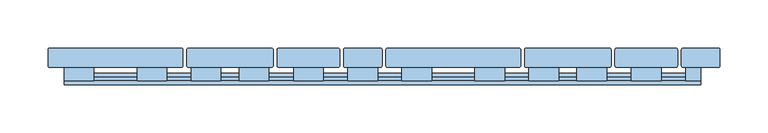
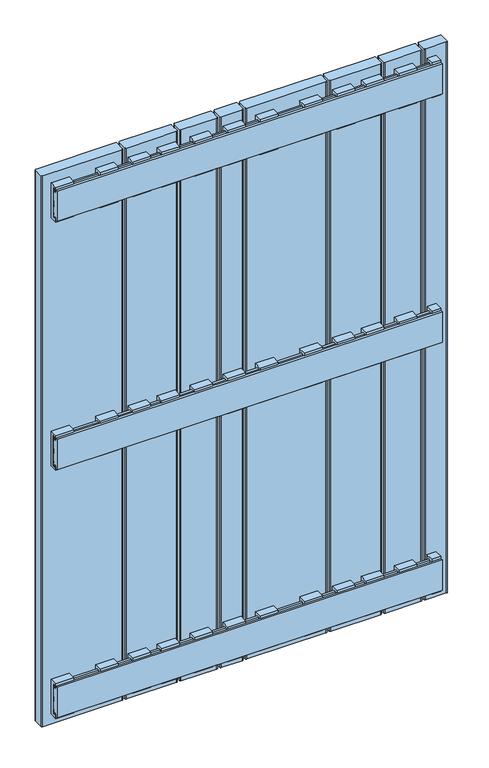
"""IFC4 building model written with IfcOpenShell, lengths in millimetres: window geometry."""

import ifcopenshell
import ifcopenshell.guid

model = None  # the IFC model being written
_history = None  # IfcOwnerHistory: only IFC2X3 demands one
_inside = {}  # id of a spatial element -> (the spatial element, [elements in it])
_under = {}  # id of a project, library or spatial element -> (it, [spatial elements below it])
_declared = {}  # id of a project -> (the project, [libraries it declares])
_typed = {}  # id of a type object -> (the type object, [elements of that type])
_made_of = {}  # id of a material, layer set ... -> (it, [elements and type objects made of it])


def new_model(schema):
    """Start an empty IFC model of exactly this schema.

    Asked for "IFC4X3", IfcOpenShell would pick the latest addendum, in which some entities
    have other attributes; the version numbers below select the first issue.
    IFC2X3 requires an IfcOwnerHistory on every rooted entity: one is made here for all.
    """
    global model, _history
    if schema == "IFC4X3":
        model = ifcopenshell.file(schema_version=(4, 3, 0, 0))
    else:
        model = ifcopenshell.file(schema=schema)
    _inside.clear()
    _under.clear()
    _declared.clear()
    _typed.clear()
    _made_of.clear()
    _history = None
    if model.schema == "IFC2X3":
        org = make("IfcOrganization", Name="unknown")
        user = make(
            "IfcPersonAndOrganization",
            ThePerson=make("IfcPerson", FamilyName="unknown"),
            TheOrganization=org,
        )
        app = make(
            "IfcApplication",
            ApplicationDeveloper=org,
            Version="unknown",
            ApplicationFullName="unknown",
            ApplicationIdentifier="unknown",
        )
        _history = make(
            "IfcOwnerHistory",
            OwningUser=user,
            OwningApplication=app,
            ChangeAction="ADDED",
            CreationDate=0,
        )
    return model


def make(cls, **values):
    """One entity of the class cls with the attributes given. An attribute that is None is left unset."""
    return model.create_entity(
        cls, **{name: value for name, value in values.items() if value is not None}
    )


def rooted(cls, **values):
    """An entity with a GlobalId (a new one), such as an element, a storey or a relation."""
    return make(cls, GlobalId=ifcopenshell.guid.new(), OwnerHistory=_history, **values)


def si_unit(unit_type, name, prefix=None):
    """IfcSIUnit, for example si_unit("LENGTHUNIT", "METRE", prefix="MILLI")."""
    return make("IfcSIUnit", UnitType=unit_type, Prefix=prefix, Name=name)


def assignment(units):
    """IfcUnitAssignment: the units of a project."""
    return None if units is None else make("IfcUnitAssignment", Units=units)


def point(xyz):
    """IfcCartesianPoint."""
    return None if xyz is None else make("IfcCartesianPoint", Coordinates=xyz)


def direction(xyz):
    """IfcDirection."""
    return None if xyz is None else make("IfcDirection", DirectionRatios=xyz)


def frame(location, z_axis=None, x_axis=None):
    """IfcAxis2Placement3D, a coordinate frame: its origin and axes. An axis left out is left unset."""
    return make(
        "IfcAxis2Placement3D",
        Location=point(location),
        Axis=direction(z_axis),
        RefDirection=direction(x_axis),
    )


def frame_2d(location, x_axis=None):
    """IfcAxis2Placement2D, a coordinate frame in the plane: its origin and x axis."""
    return make(
        "IfcAxis2Placement2D", Location=point(location), RefDirection=direction(x_axis)
    )


def origin():
    """The frame at (0, 0, 0) with its axes left unset."""
    return frame((0.0, 0.0, 0.0))


def place(relative_to, where):
    """IfcLocalPlacement: puts the frame where relative to a parent placement (None: the world)."""
    return make(
        "IfcLocalPlacement", PlacementRelTo=relative_to, RelativePlacement=where
    )


def context(
    kind, dimensions, precision=None, world=None, true_north=None, identifier=None
):
    """IfcGeometricRepresentationContext, for example the 3D "Model" context."""
    return make(
        "IfcGeometricRepresentationContext",
        ContextIdentifier=identifier,
        ContextType=kind,
        CoordinateSpaceDimension=dimensions,
        Precision=precision,
        WorldCoordinateSystem=world,
        TrueNorth=true_north,
    )


def project(units=None, contexts=None):
    """IfcProject with its units and contexts."""
    return rooted(
        "IfcProject",
        Name="project",
        RepresentationContexts=contexts,
        UnitsInContext=assignment(units),
    )


def spatial(cls, under=None, at=None, **own):
    """A site, building, storey or space (cls), placed at a placement, below another one or the project."""
    s = rooted(cls, ObjectPlacement=at, **own)
    if under is not None:
        _under.setdefault(under.id(), (under, []))[1].append(s)
    return s


def polyline(points):
    """IfcPolyline through the points."""
    return make("IfcPolyline", Points=[point(p) for p in points])


def circle_curve(where, radius):
    """IfcCircle in the frame where."""
    return make("IfcCircle", Position=where, Radius=radius)


def trimmed(basis, trim1, trim2, sense, master):
    """IfcTrimmedCurve: the piece of a basis curve between two trims."""
    return make(
        "IfcTrimmedCurve",
        BasisCurve=basis,
        Trim1=trim1,
        Trim2=trim2,
        SenseAgreement=sense,
        MasterRepresentation=master,
    )


def segment(curve, same_sense, transition):
    """IfcCompositeCurveSegment."""
    return make(
        "IfcCompositeCurveSegment",
        Transition=transition,
        SameSense=same_sense,
        ParentCurve=curve,
    )


def composite_curve(segments, self_intersect=None):
    """IfcCompositeCurve: segments joined end to end."""
    return make("IfcCompositeCurve", Segments=segments, SelfIntersect=self_intersect)


def outline(outer, holes=None, kind="AREA"):
    """IfcArbitraryClosedProfileDef: a profile drawn as a closed curve; with holes, ...WithVoids."""
    if holes is None:
        return make("IfcArbitraryClosedProfileDef", ProfileType=kind, OuterCurve=outer)
    return make(
        "IfcArbitraryProfileDefWithVoids",
        ProfileType=kind,
        OuterCurve=outer,
        InnerCurves=holes,
    )


def extrude(swept, where, along, depth):
    """IfcExtrudedAreaSolid: the profile swept, set in the frame where, extruded along a direction by depth."""
    return make(
        "IfcExtrudedAreaSolid",
        SweptArea=swept,
        Position=where,
        ExtrudedDirection=direction(along),
        Depth=depth,
    )


def shape(context_of_items, identifier, shape_type, items):
    """IfcShapeRepresentation: the items that make up one representation, for example the "Body"."""
    return make(
        "IfcShapeRepresentation",
        ContextOfItems=context_of_items,
        RepresentationIdentifier=identifier,
        RepresentationType=shape_type,
        Items=items,
    )


def source(mapping_origin, context_of_items, identifier, shape_type, items):
    """IfcRepresentationMap: a shape defined once, which mapped items show again and again."""
    return make(
        "IfcRepresentationMap",
        MappingOrigin=mapping_origin,
        MappedRepresentation=shape(context_of_items, identifier, shape_type, items),
    )


def transform(
    local_origin,
    x_axis=None,
    y_axis=None,
    z_axis=None,
    scale=None,
    scale2=None,
    scale3=None,
    uniform=True,
):
    """IfcCartesianTransformationOperator3D, or its non-uniform kind. x_axis, y_axis, z_axis: its Axis1, 2, 3."""
    if uniform:
        return make(
            "IfcCartesianTransformationOperator3D",
            Axis1=direction(x_axis),
            Axis2=direction(y_axis),
            LocalOrigin=point(local_origin),
            Scale=scale,
            Axis3=direction(z_axis),
        )
    return make(
        "IfcCartesianTransformationOperator3DnonUniform",
        Axis1=direction(x_axis),
        Axis2=direction(y_axis),
        LocalOrigin=point(local_origin),
        Scale=scale,
        Axis3=direction(z_axis),
        Scale2=scale2,
        Scale3=scale3,
    )


def mapped(mapping_source, mapping_target):
    """IfcMappedItem: shows the shape of a source again, moved by a transform."""
    return make(
        "IfcMappedItem", MappingSource=mapping_source, MappingTarget=mapping_target
    )


def made_of(thing, what):
    """Note that an element or type object is made of a material, layer set ...; save() writes the relation."""
    if what is not None:
        _made_of.setdefault(what.id(), (what, []))[1].append(thing)
    return thing


def element(
    cls,
    number,
    at=None,
    inside=None,
    cuts=None,
    type_object=None,
    material=None,
    context=None,
    identifier="Body",
    shape_type=None,
    held_by="IfcProductDefinitionShape",
    body=None,
    shapes=None,
    **own,
):
    """One element of the class cls, such as IfcWall. Its Tag is "e" and its number.

    at: its placement. inside: the storey or other place that contains it. cuts: it is an
    opening in that element (IfcRelVoidsElement). A single representation is given by context,
    identifier, shape_type and body (its items); several are given by shapes. held_by: the class
    of the entity that holds the representations. save() writes the other relations.
    """
    e = rooted(cls, Tag="e%d" % number, ObjectPlacement=at, **own)
    if body is not None:
        shapes = [shape(context, identifier, shape_type, body)]
    if shapes is not None:
        e.Representation = make(held_by, Representations=shapes)
    if inside is not None:
        _inside.setdefault(inside.id(), (inside, []))[1].append(e)
    if cuts is not None:
        rooted(
            "IfcRelVoidsElement", RelatingBuildingElement=cuts, RelatedOpeningElement=e
        )
    if type_object is not None:
        _typed.setdefault(type_object.id(), (type_object, []))[1].append(e)
    return made_of(e, material)


def aggregate(whole, parts):
    """IfcRelAggregates: a whole, such as a stair, and the parts it consists of."""
    return rooted("IfcRelAggregates", RelatingObject=whole, RelatedObjects=parts)


def save(model, path):
    """Write the relations noted so far, then the file.

    IfcRelAggregates (storeys below a building ...), IfcRelContainedInSpatialStructure (elements
    in a storey), IfcRelDefinesByType, IfcRelAssociatesMaterial and IfcRelDeclares: one each for
    every whole, place, type object, material and project.
    """
    for whole, parts in _under.values():
        aggregate(whole, parts)
    for where, things in _inside.values():
        rooted(
            "IfcRelContainedInSpatialStructure",
            RelatedElements=things,
            RelatingStructure=where,
        )
    for kind, things in _typed.values():
        rooted("IfcRelDefinesByType", RelatedObjects=things, RelatingType=kind)
    for what, things in _made_of.values():
        rooted("IfcRelAssociatesMaterial", RelatedObjects=things, RelatingMaterial=what)
    for by, libraries in _declared.values():
        rooted("IfcRelDeclares", RelatingContext=by, RelatedDefinitions=libraries)
    model.write(path)


def window_5a55b5cf(model_context):
    return source(origin(), model_context, "Body", "SweptSolid", [
        extrude(outline(polyline([(54.2, 627.5936804), (50.0, 627.5936804), (50.0, 623.5936804), (46.2, 623.5936804), (46.2, 631.5), (60.1, 631.5), (60.1, 568.5), (46.2, 568.5), (46.2, 576.4063196), (50.0, 576.4063196), (50.0, 572.4063196), (54.2, 572.4063196), (54.2, 627.5936804)])), frame((279.0, 0.0, 0.0), z_axis=(1.0, 0.0, 0.0), x_axis=(0.0, 1.0, 0.0)), (0.0, 0.0, 1.0), 31.0),
        extrude(outline(polyline([(54.1, 1022.9063196), (54.1, 1078.0936804), (49.9, 1078.0936804), (49.9, 1074.0936804), (46.1, 1074.0936804), (46.1, 1082.0), (60.0, 1082.0), (60.0, 1019.0), (46.1, 1019.0), (46.1, 1026.9063196), (49.9, 1026.9063196), (49.9, 1022.9063196), (54.1, 1022.9063196)])), frame((279.0, 0.0, 0.0), z_axis=(1.0, 0.0, 0.0), x_axis=(0.0, 1.0, 0.0)), (0.0, 0.0, 1.0), 31.0),
        extrude(outline(polyline([(54.1, 177.0936804), (49.9, 177.0936804), (49.9, 173.0936804), (46.1, 173.0936804), (46.1, 181.0), (60.0, 181.0), (60.0, 118.0), (46.1, 118.0), (46.1, 125.9063196), (49.9, 125.9063196), (49.9, 121.9063196), (54.1, 121.9063196), (54.1, 177.0936804)])), frame((279.0, 0.0, 0.0), z_axis=(1.0, 0.0, 0.0), x_axis=(0.0, 1.0, 0.0)), (0.0, 0.0, 1.0), 31.0),
        extrude(outline(polyline([(54.2, 572.4063196), (54.2, 627.5936804), (50.0, 627.5936804), (50.0, 623.5936804), (46.2, 623.5936804), (46.2, 631.5), (60.1, 631.5), (60.1, 568.5), (46.2, 568.5), (46.2, 576.4063196), (50.0, 576.4063196), (50.0, 572.4063196), (54.2, 572.4063196)])), frame((-72.0, 0.0, 0.0), z_axis=(1.0, 0.0, 0.0), x_axis=(0.0, 1.0, 0.0)), (0.0, 0.0, 1.0), 31.0),
        extrude(outline(polyline([(54.1, 1022.9063196), (54.1, 1078.0936804), (49.9, 1078.0936804), (49.9, 1074.0936804), (46.1, 1074.0936804), (46.1, 1082.0), (60.0, 1082.0), (60.0, 1019.0), (46.1, 1019.0), (46.1, 1026.9063196), (49.9, 1026.9063196), (49.9, 1022.9063196), (54.1, 1022.9063196)])), frame((-72.0, 0.0, 0.0), z_axis=(1.0, 0.0, 0.0), x_axis=(0.0, 1.0, 0.0)), (0.0, 0.0, 1.0), 31.0),
        extrude(outline(polyline([(54.1, 177.0936804), (49.9, 177.0936804), (49.9, 173.0936804), (46.1, 173.0936804), (46.1, 181.0), (60.0, 181.0), (60.0, 118.0), (46.1, 118.0), (46.1, 125.9063196), (49.9, 125.9063196), (49.9, 121.9063196), (54.1, 121.9063196), (54.1, 177.0936804)])), frame((-72.0, 0.0, 0.0), z_axis=(1.0, 0.0, 0.0), x_axis=(0.0, 1.0, 0.0)), (0.0, 0.0, 1.0), 31.0),
        extrude(outline(polyline([(54.2, 627.5936804), (50.0, 627.5936804), (50.0, 623.5936804), (46.2, 623.5936804), (46.2, 631.5), (60.1, 631.5), (60.1, 568.5), (46.2, 568.5), (46.2, 576.4063196), (50.0, 576.4063196), (50.0, 572.4063196), (54.2, 572.4063196), (54.2, 627.5936804)])), frame((222.5, 0.0, 0.0), z_axis=(1.0, 0.0, 0.0), x_axis=(0.0, 1.0, 0.0)), (0.0, 0.0, 1.0), 31.0),
        extrude(outline(polyline([(54.1, 1022.9063196), (54.1, 1078.0936804), (49.9, 1078.0936804), (49.9, 1074.0936804), (46.1, 1074.0936804), (46.1, 1082.0), (60.0, 1082.0), (60.0, 1019.0), (46.1, 1019.0), (46.1, 1026.9063196), (49.9, 1026.9063196), (49.9, 1022.9063196), (54.1, 1022.9063196)])), frame((222.5, 0.0, 0.0), z_axis=(1.0, 0.0, 0.0), x_axis=(0.0, 1.0, 0.0)), (0.0, 0.0, 1.0), 31.0),
        extrude(outline(polyline([(54.1, 177.0936804), (49.9, 177.0936804), (49.9, 173.0936804), (46.1, 173.0936804), (46.1, 181.0), (60.0, 181.0), (60.0, 118.0), (46.1, 118.0), (46.1, 125.9063196), (49.9, 125.9063196), (49.9, 121.9063196), (54.1, 121.9063196), (54.1, 177.0936804)])), frame((222.5, 0.0, 0.0), z_axis=(1.0, 0.0, 0.0), x_axis=(0.0, 1.0, 0.0)), (0.0, 0.0, 1.0), 31.0),
        extrude(outline(polyline([(54.2, 627.5936804), (50.0, 627.5936804), (50.0, 623.5936804), (46.2, 623.5936804), (46.2, 631.5), (60.1, 631.5), (60.1, 568.5), (46.2, 568.5), (46.2, 576.4063196), (50.0, 576.4063196), (50.0, 572.4063196), (54.2, 572.4063196), (54.2, 627.5936804)])), frame((172.5, 0.0, 0.0), z_axis=(1.0, 0.0, 0.0), x_axis=(0.0, 1.0, 0.0)), (0.0, 0.0, 1.0), 31.0),
        extrude(outline(polyline([(54.1, 1022.9063196), (54.1, 1078.0936804), (49.9, 1078.0936804), (49.9, 1074.0936804), (46.1, 1074.0936804), (46.1, 1082.0), (60.0, 1082.0), (60.0, 1019.0), (46.1, 1019.0), (46.1, 1026.9063196), (49.9, 1026.9063196), (49.9, 1022.9063196), (54.1, 1022.9063196)])), frame((172.5, 0.0, 0.0), z_axis=(1.0, 0.0, 0.0), x_axis=(0.0, 1.0, 0.0)), (0.0, 0.0, 1.0), 31.0),
        extrude(outline(polyline([(54.1, 177.0936804), (49.9, 177.0936804), (49.9, 173.0936804), (46.1, 173.0936804), (46.1, 181.0), (60.0, 181.0), (60.0, 118.0), (46.1, 118.0), (46.1, 125.9063196), (49.9, 125.9063196), (49.9, 121.9063196), (54.1, 121.9063196), (54.1, 177.0936804)])), frame((172.5, 0.0, 0.0), z_axis=(1.0, 0.0, 0.0), x_axis=(0.0, 1.0, 0.0)), (0.0, 0.0, 1.0), 31.0),
        extrude(outline(polyline([(54.2, 627.5936804), (50.0, 627.5936804), (50.0, 623.5936804), (46.2, 623.5936804), (46.2, 631.5), (60.1, 631.5), (60.1, 568.5), (46.2, 568.5), (46.2, 576.4063196), (50.0, 576.4063196), (50.0, 572.4063196), (54.2, 572.4063196), (54.2, 627.5936804)])), frame((116.5, 0.0, 0.0), z_axis=(1.0, 0.0, 0.0), x_axis=(0.0, 1.0, 0.0)), (0.0, 0.0, 1.0), 31.0),
        extrude(outline(polyline([(54.1, 1022.9063196), (54.1, 1078.0936804), (49.9, 1078.0936804), (49.9, 1074.0936804), (46.1, 1074.0936804), (46.1, 1082.0), (60.0, 1082.0), (60.0, 1019.0), (46.1, 1019.0), (46.1, 1026.9063196), (49.9, 1026.9063196), (49.9, 1022.9063196), (54.1, 1022.9063196)])), frame((116.5, 0.0, 0.0), z_axis=(1.0, 0.0, 0.0), x_axis=(0.0, 1.0, 0.0)), (0.0, 0.0, 1.0), 31.0),
        extrude(outline(polyline([(54.1, 177.0936804), (49.9, 177.0936804), (49.9, 173.0936804), (46.1, 173.0936804), (46.1, 181.0), (60.0, 181.0), (60.0, 118.0), (46.1, 118.0), (46.1, 125.9063196), (49.9, 125.9063196), (49.9, 121.9063196), (54.1, 121.9063196), (54.1, 177.0936804)])), frame((116.5, 0.0, 0.0), z_axis=(1.0, 0.0, 0.0), x_axis=(0.0, 1.0, 0.0)), (0.0, 0.0, 1.0), 31.0),
        extrude(outline(polyline([(54.2, 627.5936804), (50.0, 627.5936804), (50.0, 623.5936804), (46.2, 623.5936804), (46.2, 631.5), (60.1, 631.5), (60.1, 568.5), (46.2, 568.5), (46.2, 576.4063196), (50.0, 576.4063196), (50.0, 572.4063196), (54.2, 572.4063196), (54.2, 627.5936804)])), frame((-15.5, 0.0, 0.0), z_axis=(1.0, 0.0, 0.0), x_axis=(0.0, 1.0, 0.0)), (0.0, 0.0, 1.0), 31.0),
        extrude(outline(polyline([(54.1, 1022.9063196), (54.1, 1078.0936804), (49.9, 1078.0936804), (49.9, 1074.0936804), (46.1, 1074.0936804), (46.1, 1082.0), (60.0, 1082.0), (60.0, 1019.0), (46.1, 1019.0), (46.1, 1026.9063196), (49.9, 1026.9063196), (49.9, 1022.9063196), (54.1, 1022.9063196)])), frame((-15.5, 0.0, 0.0), z_axis=(1.0, 0.0, 0.0), x_axis=(0.0, 1.0, 0.0)), (0.0, 0.0, 1.0), 31.0),
        extrude(outline(polyline([(54.1, 177.0936804), (49.9, 177.0936804), (49.9, 173.0936804), (46.1, 173.0936804), (46.1, 181.0), (60.0, 181.0), (60.0, 118.0), (46.1, 118.0), (46.1, 125.9063196), (49.9, 125.9063196), (49.9, 121.9063196), (54.1, 121.9063196), (54.1, 177.0936804)])), frame((-15.5, 0.0, 0.0), z_axis=(1.0, 0.0, 0.0), x_axis=(0.0, 1.0, 0.0)), (0.0, 0.0, 1.0), 31.0),
        extrude(outline(polyline([(54.2, 627.5936804), (50.0, 627.5936804), (50.0, 623.5936804), (46.2, 623.5936804), (46.2, 631.5), (60.1, 631.5), (60.1, 568.5), (46.2, 568.5), (46.2, 576.4063196), (50.0, 576.4063196), (50.0, 572.4063196), (54.2, 572.4063196), (54.2, 627.5936804)])), frame((40.5, 0.0, 0.0), z_axis=(1.0, 0.0, 0.0), x_axis=(0.0, 1.0, 0.0)), (0.0, 0.0, 1.0), 31.0),
        extrude(outline(polyline([(54.1, 1022.9063196), (54.1, 1078.0936804), (49.9, 1078.0936804), (49.9, 1074.0936804), (46.1, 1074.0936804), (46.1, 1082.0), (60.0, 1082.0), (60.0, 1019.0), (46.1, 1019.0), (46.1, 1026.9063196), (49.9, 1026.9063196), (49.9, 1022.9063196), (54.1, 1022.9063196)])), frame((40.5, 0.0, 0.0), z_axis=(1.0, 0.0, 0.0), x_axis=(0.0, 1.0, 0.0)), (0.0, 0.0, 1.0), 31.0),
        extrude(outline(polyline([(54.1, 177.0936804), (49.9, 177.0936804), (49.9, 173.0936804), (46.1, 173.0936804), (46.1, 181.0), (60.0, 181.0), (60.0, 118.0), (46.1, 118.0), (46.1, 125.9063196), (49.9, 125.9063196), (49.9, 121.9063196), (54.1, 121.9063196), (54.1, 177.0936804)])), frame((40.5, 0.0, 0.0), z_axis=(1.0, 0.0, 0.0), x_axis=(0.0, 1.0, 0.0)), (0.0, 0.0, 1.0), 31.0),
        extrude(outline(polyline([(54.2, 572.4063196), (54.2, 627.5936804), (50.0, 627.5936804), (50.0, 623.5936804), (46.2, 623.5936804), (46.2, 631.5), (60.1, 631.5), (60.1, 568.5), (46.2, 568.5), (46.2, 576.4063196), (50.0, 576.4063196), (50.0, 572.4063196), (54.2, 572.4063196)])), frame((-128.5, 0.0, 0.0), z_axis=(1.0, 0.0, 0.0), x_axis=(0.0, 1.0, 0.0)), (0.0, 0.0, 1.0), 31.0),
        extrude(outline(polyline([(54.1, 1022.9063196), (54.1, 1078.0936804), (49.9, 1078.0936804), (49.9, 1074.0936804), (46.1, 1074.0936804), (46.1, 1082.0), (60.0, 1082.0), (60.0, 1019.0), (46.1, 1019.0), (46.1, 1026.9063196), (49.9, 1026.9063196), (49.9, 1022.9063196), (54.1, 1022.9063196)])), frame((-128.5, 0.0, 0.0), z_axis=(1.0, 0.0, 0.0), x_axis=(0.0, 1.0, 0.0)), (0.0, 0.0, 1.0), 31.0),
        extrude(outline(polyline([(54.1, 177.0936804), (49.9, 177.0936804), (49.9, 173.0936804), (46.1, 173.0936804), (46.1, 181.0), (60.0, 181.0), (60.0, 118.0), (46.1, 118.0), (46.1, 125.9063196), (49.9, 125.9063196), (49.9, 121.9063196), (54.1, 121.9063196), (54.1, 177.0936804)])), frame((-128.5, 0.0, 0.0), z_axis=(1.0, 0.0, 0.0), x_axis=(0.0, 1.0, 0.0)), (0.0, 0.0, 1.0), 31.0),
        extrude(outline(polyline([(54.2, 572.4063196), (54.2, 627.5936804), (50.0, 627.5936804), (50.0, 623.5936804), (46.2, 623.5936804), (46.2, 631.5), (60.1, 631.5), (60.1, 568.5), (46.2, 568.5), (46.2, 576.4063196), (50.0, 576.4063196), (50.0, 572.4063196), (54.2, 572.4063196)])), frame((-178.5, 0.0, 0.0), z_axis=(1.0, 0.0, 0.0), x_axis=(0.0, 1.0, 0.0)), (0.0, 0.0, 1.0), 31.0),
        extrude(outline(polyline([(54.1, 1022.9063196), (54.1, 1078.0936804), (49.9, 1078.0936804), (49.9, 1074.0936804), (46.1, 1074.0936804), (46.1, 1082.0), (60.0, 1082.0), (60.0, 1019.0), (46.1, 1019.0), (46.1, 1026.9063196), (49.9, 1026.9063196), (49.9, 1022.9063196), (54.1, 1022.9063196)])), frame((-178.5, 0.0, 0.0), z_axis=(1.0, 0.0, 0.0), x_axis=(0.0, 1.0, 0.0)), (0.0, 0.0, 1.0), 31.0),
        extrude(outline(polyline([(54.1, 177.0936804), (49.9, 177.0936804), (49.9, 173.0936804), (46.1, 173.0936804), (46.1, 181.0), (60.0, 181.0), (60.0, 118.0), (46.1, 118.0), (46.1, 125.9063196), (49.9, 125.9063196), (49.9, 121.9063196), (54.1, 121.9063196), (54.1, 177.0936804)])), frame((-178.5, 0.0, 0.0), z_axis=(1.0, 0.0, 0.0), x_axis=(0.0, 1.0, 0.0)), (0.0, 0.0, 1.0), 31.0),
        extrude(outline(polyline([(54.2, 572.4063196), (54.2, 627.5936804), (50.0, 627.5936804), (50.0, 623.5936804), (46.2, 623.5936804), (46.2, 631.5), (60.1, 631.5), (60.1, 568.5), (46.2, 568.5), (46.2, 576.4063196), (50.0, 576.4063196), (50.0, 572.4063196), (54.2, 572.4063196)])), frame((-234.5, 0.0, 0.0), z_axis=(1.0, 0.0, 0.0), x_axis=(0.0, 1.0, 0.0)), (0.0, 0.0, 1.0), 31.0),
        extrude(outline(polyline([(54.1, 1022.9063196), (54.1, 1078.0936804), (49.9, 1078.0936804), (49.9, 1074.0936804), (46.1, 1074.0936804), (46.1, 1082.0), (60.0, 1082.0), (60.0, 1019.0), (46.1, 1019.0), (46.1, 1026.9063196), (49.9, 1026.9063196), (49.9, 1022.9063196), (54.1, 1022.9063196)])), frame((-234.5, 0.0, 0.0), z_axis=(1.0, 0.0, 0.0), x_axis=(0.0, 1.0, 0.0)), (0.0, 0.0, 1.0), 31.0),
        extrude(outline(polyline([(54.1, 177.0936804), (49.9, 177.0936804), (49.9, 173.0936804), (46.1, 173.0936804), (46.1, 181.0), (60.0, 181.0), (60.0, 118.0), (46.1, 118.0), (46.1, 125.9063196), (49.9, 125.9063196), (49.9, 121.9063196), (54.1, 121.9063196), (54.1, 177.0936804)])), frame((-234.5, 0.0, 0.0), z_axis=(1.0, 0.0, 0.0), x_axis=(0.0, 1.0, 0.0)), (0.0, 0.0, 1.0), 31.0),
        extrude(outline(polyline([(54.2, 572.4063196), (54.2, 627.5936804), (50.0, 627.5936804), (50.0, 623.5936804), (46.2, 623.5936804), (46.2, 631.5), (60.1, 631.5), (60.1, 568.5), (46.2, 568.5), (46.2, 576.4063196), (50.0, 576.4063196), (50.0, 572.4063196), (54.2, 572.4063196)])), frame((-310.5, 0.0, 0.0), z_axis=(1.0, 0.0, 0.0), x_axis=(0.0, 1.0, 0.0)), (0.0, 0.0, 1.0), 31.0),
        extrude(outline(polyline([(54.1, 1022.9063196), (54.1, 1078.0936804), (49.9, 1078.0936804), (49.9, 1074.0936804), (46.1, 1074.0936804), (46.1, 1082.0), (60.0, 1082.0), (60.0, 1019.0), (46.1, 1019.0), (46.1, 1026.9063196), (49.9, 1026.9063196), (49.9, 1022.9063196), (54.1, 1022.9063196)])), frame((-310.5, 0.0, 0.0), z_axis=(1.0, 0.0, 0.0), x_axis=(0.0, 1.0, 0.0)), (0.0, 0.0, 1.0), 31.0),
        extrude(outline(polyline([(54.1, 177.0936804), (49.9, 177.0936804), (49.9, 173.0936804), (46.1, 173.0936804), (46.1, 181.0), (60.0, 181.0), (60.0, 118.0), (46.1, 118.0), (46.1, 125.9063196), (49.9, 125.9063196), (49.9, 121.9063196), (54.1, 121.9063196), (54.1, 177.0936804)])), frame((-310.5, 0.0, 0.0), z_axis=(1.0, 0.0, 0.0), x_axis=(0.0, 1.0, 0.0)), (0.0, 0.0, 1.0), 31.0),
        extrude(outline(polyline([(54.2, 572.4063196), (54.2, 627.5936804), (50.0, 627.5936804), (50.0, 623.5936804), (46.2, 623.5936804), (46.2, 631.5), (60.1, 631.5), (60.1, 568.5), (46.2, 568.5), (46.2, 576.4063196), (50.0, 576.4063196), (50.0, 572.4063196), (54.2, 572.4063196)])), frame((335.5, 0.0, 0.0), z_axis=(1.0, 0.0, 0.0), x_axis=(0.0, 1.0, 0.0)), (0.0, 0.0, 1.0), 15.5),
        extrude(outline(polyline([(54.1, 1022.9063196), (54.1, 1078.0936804), (49.9, 1078.0936804), (49.9, 1074.0936804), (46.1, 1074.0936804), (46.1, 1082.0), (60.0, 1082.0), (60.0, 1019.0), (46.1, 1019.0), (46.1, 1026.9063196), (49.9, 1026.9063196), (49.9, 1022.9063196), (54.1, 1022.9063196)])), frame((335.5, 0.0, 0.0), z_axis=(1.0, 0.0, 0.0), x_axis=(0.0, 1.0, 0.0)), (0.0, 0.0, 1.0), 15.5),
        extrude(outline(polyline([(54.1, 177.0936804), (49.9, 177.0936804), (49.9, 173.0936804), (46.1, 173.0936804), (46.1, 181.0), (60.0, 181.0), (60.0, 118.0), (46.1, 118.0), (46.1, 125.9063196), (49.9, 125.9063196), (49.9, 121.9063196), (54.1, 121.9063196), (54.1, 177.0936804)])), frame((335.5, 0.0, 0.0), z_axis=(1.0, 0.0, 0.0), x_axis=(0.0, 1.0, 0.0)), (0.0, 0.0, 1.0), 15.5),
        extrude(outline(polyline([(42.1, 627.5063196), (46.1, 627.5063196), (46.1, 623.5063196), (50.1, 623.5063196), (50.1, 627.5063196), (54.1, 627.5063196), (54.1, 622.5063196), (51.1, 622.5063196), (51.1, 617.5063196), (54.1, 617.5063196), (54.1, 605.0063196), (51.1, 605.0063196), (51.1, 595.0063196), (54.1, 595.0063196), (54.1, 582.5063196), (51.1, 582.5063196), (51.1, 577.5063196), (54.1, 577.5063196), (54.1, 572.5063196), (50.1, 572.5063196), (50.1, 576.5063196), (46.1, 576.5063196), (46.1, 572.5063196), (42.1, 572.5063196), (42.1, 627.5063196)])), frame((-310.5, 0.0, 0.0), z_axis=(1.0, 0.0, 0.0), x_axis=(0.0, 1.0, 0.0)), (0.0, 0.0, 1.0), 661.5),
        extrude(outline(polyline([(42.0, 1078.0), (46.0, 1078.0), (46.0, 1074.0), (50.0, 1074.0), (50.0, 1078.0), (54.0, 1078.0), (54.0, 1073.0), (51.0, 1073.0), (51.0, 1068.0), (54.0, 1068.0), (54.0, 1055.5), (51.0, 1055.5), (51.0, 1045.5), (54.0, 1045.5), (54.0, 1033.0), (51.0, 1033.0), (51.0, 1028.0), (54.0, 1028.0), (54.0, 1023.0), (50.0, 1023.0), (50.0, 1027.0), (46.0, 1027.0), (46.0, 1023.0), (42.0, 1023.0), (42.0, 1078.0)])), frame((-310.5, 0.0, 0.0), z_axis=(1.0, 0.0, 0.0), x_axis=(0.0, 1.0, 0.0)), (0.0, 0.0, 1.0), 661.5),
        extrude(outline(polyline([(42.0, 177.0), (46.0, 177.0), (46.0, 173.0), (50.0, 173.0), (50.0, 177.0), (54.0, 177.0), (54.0, 172.0), (51.0, 172.0), (51.0, 167.0), (54.0, 167.0), (54.0, 154.5), (51.0, 154.5), (51.0, 144.5), (54.0, 144.5), (54.0, 132.0), (51.0, 132.0), (51.0, 127.0), (54.0, 127.0), (54.0, 122.0), (50.0, 122.0), (50.0, 126.0), (46.0, 126.0), (46.0, 122.0), (42.0, 122.0), (42.0, 177.0)])), frame((-310.5, 0.0, 0.0), z_axis=(1.0, 0.0, 0.0), x_axis=(0.0, 1.0, 0.0)), (0.0, 0.0, 1.0), 661.5),
        extrude(outline(composite_curve([segment(polyline([(-20.0, 62.0), (-20.0, 78.0)]), True, "CONTINUOUS"), segment(trimmed(circle_curve(frame_2d((-18.0, 78.0)), 2.0), [point((-20.0, 78.0))], [point((-18.0, 80.0))], False, "CARTESIAN"), True, "CONTINUOUS"), segment(polyline([(-18.0, 80.0), (18.0, 80.0)]), True, "CONTINUOUS"), segment(trimmed(circle_curve(frame_2d((18.0, 78.0)), 2.0), [point((18.0, 80.0))], [point((20.0, 78.0))], False, "CARTESIAN"), True, "CONTINUOUS"), segment(polyline([(20.0, 78.0), (20.0, 62.0)]), True, "CONTINUOUS"), segment(trimmed(circle_curve(frame_2d((18.0, 62.0)), 2.0), [point((20.0, 62.0))], [point((18.0, 60.0))], False, "CARTESIAN"), True, "CONTINUOUS"), segment(polyline([(18.0, 60.0), (-18.0, 60.0)]), True, "CONTINUOUS"), segment(trimmed(circle_curve(frame_2d((-18.0, 62.0)), 2.0), [point((-18.0, 60.0))], [point((-20.0, 62.0))], False, "CARTESIAN"), True, "CONTINUOUS")], self_intersect=False)), frame((0.0, 0.0, 100.0), z_axis=(0.0, 0.0, 1.0), x_axis=(1.0, 0.0, 0.0)), (0.0, 0.0, 1.0), 1000.0),
        extrude(outline(composite_curve([segment(polyline([(24.0, 62.0), (24.0, 78.0)]), True, "CONTINUOUS"), segment(trimmed(circle_curve(frame_2d((26.0, 78.0)), 2.0), [point((24.0, 78.0))], [point((26.0, 80.0))], False, "CARTESIAN"), True, "CONTINUOUS"), segment(polyline([(26.0, 80.0), (162.0, 80.0)]), True, "CONTINUOUS"), segment(trimmed(circle_curve(frame_2d((162.0, 78.0)), 2.0), [point((162.0, 80.0))], [point((164.0, 78.0))], False, "CARTESIAN"), True, "CONTINUOUS"), segment(polyline([(164.0, 78.0), (164.0, 62.0)]), True, "CONTINUOUS"), segment(trimmed(circle_curve(frame_2d((162.0, 62.0)), 2.0), [point((164.0, 62.0))], [point((162.0, 60.0))], False, "CARTESIAN"), True, "CONTINUOUS"), segment(polyline([(162.0, 60.0), (26.0, 60.0)]), True, "CONTINUOUS"), segment(trimmed(circle_curve(frame_2d((26.0, 62.0)), 2.0), [point((26.0, 60.0))], [point((24.0, 62.0))], False, "CARTESIAN"), True, "CONTINUOUS")], self_intersect=False)), frame((0.0, 0.0, 100.0), z_axis=(0.0, 0.0, 1.0), x_axis=(1.0, 0.0, 0.0)), (0.0, 0.0, 1.0), 1000.0),
        extrude(outline(composite_curve([segment(polyline([(168.0, 62.0), (168.0, 78.0)]), True, "CONTINUOUS"), segment(trimmed(circle_curve(frame_2d((170.0, 78.0)), 2.0), [point((168.0, 78.0))], [point((170.0, 80.0))], False, "CARTESIAN"), True, "CONTINUOUS"), segment(polyline([(170.0, 80.0), (256.0, 80.0)]), True, "CONTINUOUS"), segment(trimmed(circle_curve(frame_2d((256.0, 78.0)), 2.0), [point((256.0, 80.0))], [point((258.0, 78.0))], False, "CARTESIAN"), True, "CONTINUOUS"), segment(polyline([(258.0, 78.0), (258.0, 62.0)]), True, "CONTINUOUS"), segment(trimmed(circle_curve(frame_2d((256.0, 62.0)), 2.0), [point((258.0, 62.0))], [point((256.0, 60.0))], False, "CARTESIAN"), True, "CONTINUOUS"), segment(polyline([(256.0, 60.0), (170.0, 60.0)]), True, "CONTINUOUS"), segment(trimmed(circle_curve(frame_2d((170.0, 62.0)), 2.0), [point((170.0, 60.0))], [point((168.0, 62.0))], False, "CARTESIAN"), True, "CONTINUOUS")], self_intersect=False)), frame((0.0, 0.0, 100.0), z_axis=(0.0, 0.0, 1.0), x_axis=(1.0, 0.0, 0.0)), (0.0, 0.0, 1.0), 1000.0),
        extrude(outline(composite_curve([segment(polyline([(262.0, 62.0), (262.0, 78.0)]), True, "CONTINUOUS"), segment(trimmed(circle_curve(frame_2d((264.0, 78.0)), 2.0), [point((262.0, 78.0))], [point((264.0, 80.0))], False, "CARTESIAN"), True, "CONTINUOUS"), segment(polyline([(264.0, 80.0), (325.0, 80.0)]), True, "CONTINUOUS"), segment(trimmed(circle_curve(frame_2d((325.0, 78.0)), 2.0), [point((325.0, 80.0))], [point((327.0, 78.0))], False, "CARTESIAN"), True, "CONTINUOUS"), segment(polyline([(327.0, 78.0), (327.0, 62.0)]), True, "CONTINUOUS"), segment(trimmed(circle_curve(frame_2d((325.0, 62.0)), 2.0), [point((327.0, 62.0))], [point((325.0, 60.0))], False, "CARTESIAN"), True, "CONTINUOUS"), segment(polyline([(325.0, 60.0), (264.0, 60.0)]), True, "CONTINUOUS"), segment(trimmed(circle_curve(frame_2d((264.0, 62.0)), 2.0), [point((264.0, 60.0))], [point((262.0, 62.0))], False, "CARTESIAN"), True, "CONTINUOUS")], self_intersect=False)), frame((0.0, 0.0, 100.0), z_axis=(0.0, 0.0, 1.0), x_axis=(1.0, 0.0, 0.0)), (0.0, 0.0, 1.0), 1000.0),
        extrude(outline(composite_curve([segment(polyline([(331.0, 62.0), (331.0, 78.0)]), True, "CONTINUOUS"), segment(trimmed(circle_curve(frame_2d((333.0, 78.0)), 2.0), [point((331.0, 78.0))], [point((333.0, 80.0))], False, "CARTESIAN"), True, "CONTINUOUS"), segment(polyline([(333.0, 80.0), (369.0, 80.0)]), True, "CONTINUOUS"), segment(trimmed(circle_curve(frame_2d((369.0, 78.0)), 2.0), [point((369.0, 80.0))], [point((371.0, 78.0))], False, "CARTESIAN"), True, "CONTINUOUS"), segment(polyline([(371.0, 78.0), (371.0, 62.0)]), True, "CONTINUOUS"), segment(trimmed(circle_curve(frame_2d((369.0, 62.0)), 2.0), [point((371.0, 62.0))], [point((369.0, 60.0))], False, "CARTESIAN"), True, "CONTINUOUS"), segment(polyline([(369.0, 60.0), (333.0, 60.0)]), True, "CONTINUOUS"), segment(trimmed(circle_curve(frame_2d((333.0, 62.0)), 2.0), [point((333.0, 60.0))], [point((331.0, 62.0))], False, "CARTESIAN"), True, "CONTINUOUS")], self_intersect=False)), frame((0.0, 0.0, 100.0), z_axis=(0.0, 0.0, 1.0), x_axis=(1.0, 0.0, 0.0)), (0.0, 0.0, 1.0), 1000.0),
        extrude(outline(composite_curve([segment(polyline([(-183.0, 62.0), (-183.0, 78.0)]), True, "CONTINUOUS"), segment(trimmed(circle_curve(frame_2d((-181.0, 78.0)), 2.0), [point((-183.0, 78.0))], [point((-181.0, 80.0))], False, "CARTESIAN"), True, "CONTINUOUS"), segment(polyline([(-181.0, 80.0), (-95.0, 80.0)]), True, "CONTINUOUS"), segment(trimmed(circle_curve(frame_2d((-95.0, 78.0)), 2.0), [point((-95.0, 80.0))], [point((-93.0, 78.0))], False, "CARTESIAN"), True, "CONTINUOUS"), segment(polyline([(-93.0, 78.0), (-93.0, 62.0)]), True, "CONTINUOUS"), segment(trimmed(circle_curve(frame_2d((-95.0, 62.0)), 2.0), [point((-93.0, 62.0))], [point((-95.0, 60.0))], False, "CARTESIAN"), True, "CONTINUOUS"), segment(polyline([(-95.0, 60.0), (-181.0, 60.0)]), True, "CONTINUOUS"), segment(trimmed(circle_curve(frame_2d((-181.0, 62.0)), 2.0), [point((-181.0, 60.0))], [point((-183.0, 62.0))], False, "CARTESIAN"), True, "CONTINUOUS")], self_intersect=False)), frame((0.0, 0.0, 100.0), z_axis=(0.0, 0.0, 1.0), x_axis=(1.0, 0.0, 0.0)), (0.0, 0.0, 1.0), 1000.0),
        extrude(outline(composite_curve([segment(polyline([(-89.0, 62.0), (-89.0, 78.0)]), True, "CONTINUOUS"), segment(trimmed(circle_curve(frame_2d((-87.0, 78.0)), 2.0), [point((-89.0, 78.0))], [point((-87.0, 80.0))], False, "CARTESIAN"), True, "CONTINUOUS"), segment(polyline([(-87.0, 80.0), (-26.0, 80.0)]), True, "CONTINUOUS"), segment(trimmed(circle_curve(frame_2d((-26.0, 78.0)), 2.0), [point((-26.0, 80.0))], [point((-24.0, 78.0))], False, "CARTESIAN"), True, "CONTINUOUS"), segment(polyline([(-24.0, 78.0), (-24.0, 62.0)]), True, "CONTINUOUS"), segment(trimmed(circle_curve(frame_2d((-26.0, 62.0)), 2.0), [point((-24.0, 62.0))], [point((-26.0, 60.0))], False, "CARTESIAN"), True, "CONTINUOUS"), segment(polyline([(-26.0, 60.0), (-87.0, 60.0)]), True, "CONTINUOUS"), segment(trimmed(circle_curve(frame_2d((-87.0, 62.0)), 2.0), [point((-87.0, 60.0))], [point((-89.0, 62.0))], False, "CARTESIAN"), True, "CONTINUOUS")], self_intersect=False)), frame((0.0, 0.0, 100.0), z_axis=(0.0, 0.0, 1.0), x_axis=(1.0, 0.0, 0.0)), (0.0, 0.0, 1.0), 1000.0),
        extrude(outline(composite_curve([segment(polyline([(-327.0, 62.0), (-327.0, 78.0)]), True, "CONTINUOUS"), segment(trimmed(circle_curve(frame_2d((-325.0, 78.0)), 2.0), [point((-327.0, 78.0))], [point((-325.0, 80.0))], False, "CARTESIAN"), True, "CONTINUOUS"), segment(polyline([(-325.0, 80.0), (-189.0, 80.0)]), True, "CONTINUOUS"), segment(trimmed(circle_curve(frame_2d((-189.0, 78.0)), 2.0), [point((-189.0, 80.0))], [point((-187.0, 78.0))], False, "CARTESIAN"), True, "CONTINUOUS"), segment(polyline([(-187.0, 78.0), (-187.0, 62.0)]), True, "CONTINUOUS"), segment(trimmed(circle_curve(frame_2d((-189.0, 62.0)), 2.0), [point((-187.0, 62.0))], [point((-189.0, 60.0))], False, "CARTESIAN"), True, "CONTINUOUS"), segment(polyline([(-189.0, 60.0), (-325.0, 60.0)]), True, "CONTINUOUS"), segment(trimmed(circle_curve(frame_2d((-325.0, 62.0)), 2.0), [point((-325.0, 60.0))], [point((-327.0, 62.0))], False, "CARTESIAN"), True, "CONTINUOUS")], self_intersect=False)), frame((0.0, 0.0, 100.0), z_axis=(0.0, 0.0, 1.0), x_axis=(1.0, 0.0, 0.0)), (0.0, 0.0, 1.0), 1000.0),
    ])


if __name__ == "__main__":
    model = new_model("IFC4")
    model_context = context("Model", 3, world=origin())
    ifc_project = project(units=[si_unit("LENGTHUNIT", "METRE", prefix="MILLI")], contexts=[model_context])
    site = spatial("IfcSite", under=ifc_project)
    building = spatial("IfcBuilding", under=site)
    placement = place(None, origin())
    window_shape = window_5a55b5cf(model_context)
    element("IfcWindow", 1, at=placement, inside=building, context=model_context, shape_type="MappedRepresentation", body=[
        mapped(window_shape, transform((0.0, 0.0, 0.0), x_axis=(1.0, 0.0, 0.0), y_axis=(0.0, 1.0, 0.0), z_axis=(0.0, 0.0, 1.0))),
    ])
    save(model, "model.ifc")
